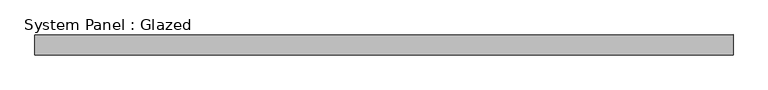
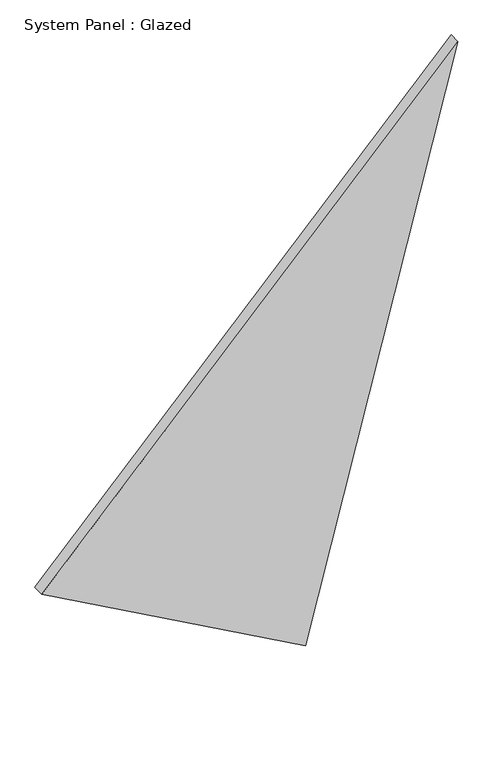
"""IFC4 building model written with IfcOpenShell, lengths in millimetres: plate geometry, System Panel : Glazed."""

from ifc_helpers import new_model, si_unit, frame, origin, place, context, project, spatial, polyline, outline, extrude, source, transform, mapped, element, save


def system_panel_glazed_fae37865(model_context):
    return source(origin(), model_context, "Body", "SweptSolid", [
        extrude(outline(polyline([(367.457344, -520.9536883), (0.0, 139.5353905), (1462.9126083, 520.9536883), (367.457344, -520.9536883)])), frame((0.0, -36.8101563, 0.0), z_axis=(0.0, 1.0, 0.0), x_axis=(0.0, 0.0, 1.0)), (0.0, 0.0, 1.0), 30.1625),
    ])


if __name__ == "__main__":
    model = new_model("IFC4")
    model_context = context("Model", 3, world=origin())
    ifc_project = project(units=[si_unit("LENGTHUNIT", "METRE", prefix="MILLI")], contexts=[model_context])
    site = spatial("IfcSite", under=ifc_project)
    building = spatial("IfcBuilding", under=site)
    placement = place(None, origin())
    system_panel_glazed_shape = system_panel_glazed_fae37865(model_context)
    element("IfcPlate", 1, ObjectType="System Panel : Glazed", at=placement, inside=building, context=model_context, shape_type="MappedRepresentation", body=[
        mapped(system_panel_glazed_shape, transform((0.0, 0.0, 0.0), x_axis=(1.0, 0.0, 0.0), y_axis=(0.0, 1.0, 0.0), z_axis=(0.0, 0.0, 1.0))),
    ])
    save(model, "model.ifc")
